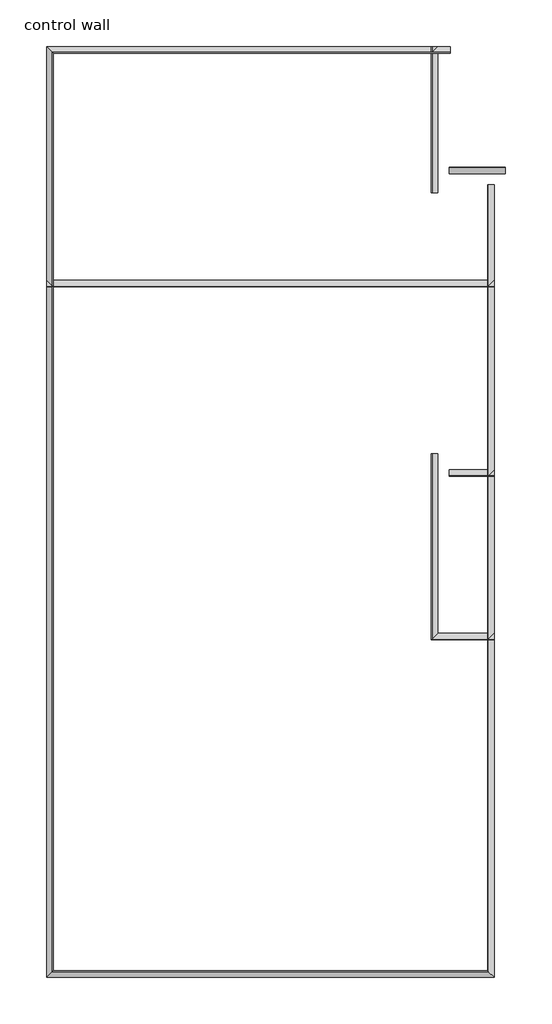
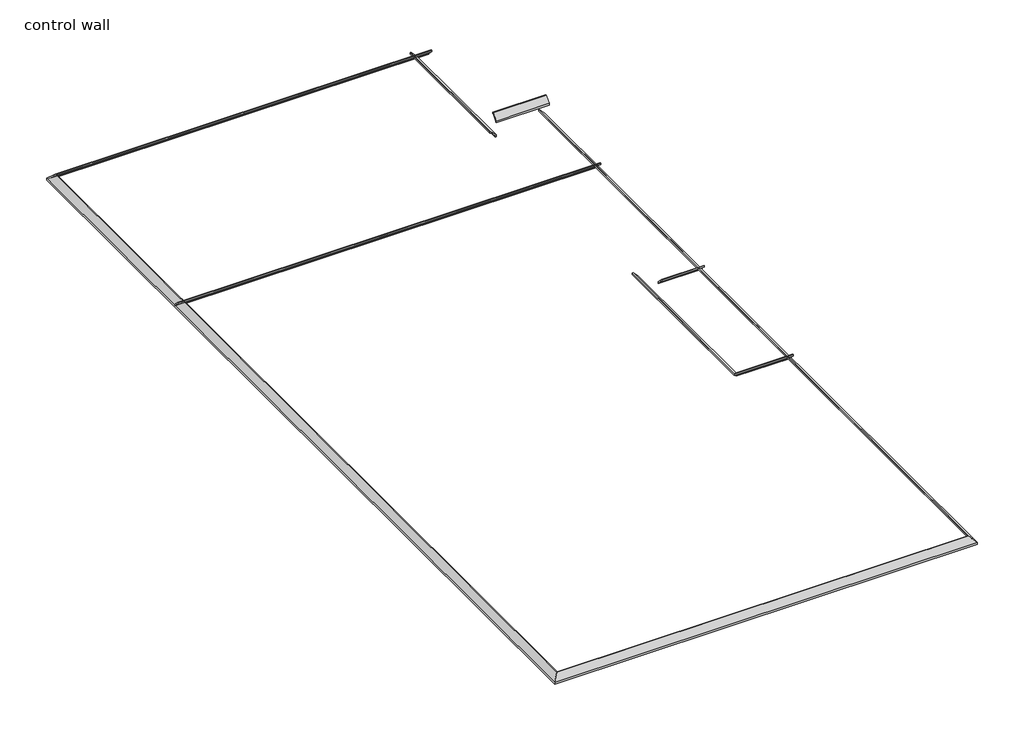
# One storey: 10 proxies.
"""IFC4 building model written with IfcOpenShell, lengths in millimetres."""

from ifc_helpers import new_model, si_unit, point, frame, frame_2d, origin, place, context, project, spatial, polyline, circle_curve, ellipse_curve, trimmed, segment, composite_curve, outline, extrude, element, save
from ifc_brep_helpers import plane_surface, cylinder_surface, revolved_surface, advanced_brep

model = new_model("IFC4")

# Units and contexts
model_context = context("Model", 3, world=origin())
ifc_project = project(units=[si_unit("LENGTHUNIT", "METRE", prefix="MILLI")], contexts=[model_context])

# Site, building, storey
site = spatial("IfcSite", under=ifc_project)
building = spatial("IfcBuilding", under=site)
storey = spatial("IfcBuildingStorey", under=building, Name="control wall", Elevation=2133.6)

# Proxies
placement = place(None, origin())
element("IfcBuildingElementProxy", 1, Name="Wall Sweeps", at=placement, inside=storey, context=model_context, shape_type="AdvancedBrep", body=[
    advanced_brep(
    [(22826.0618154, -8316.2748005, 2982.9793892), (22826.0618154, -8381.2954113, 3048.0), (22826.0618154, -8389.3981093, 3048.0), (22826.0618154, -8389.3981093, 3028.95), (22826.0618154, -8379.7748005, 3028.95), (22826.0618154, -8359.2501207, 3008.4253202), (22826.0618154, -8338.7254408, 2987.9006403), (22826.0618154, -8338.7254408, 2981.5506403), (22826.0618154, -8325.2550566, 2968.0802561), (22826.0618154, -8325.2550566, 2959.1), (22826.0618154, -8316.2748005, 2959.1), (18263.4663409, -8316.2748005, 2982.9793892), (18263.4663409, -8316.2748005, 2959.1), (18272.446597, -8325.2550566, 2959.1), (18272.446597, -8325.2550566, 2968.0802561), (18285.9169812, -8338.7254408, 2981.5506403), (18285.9169812, -8338.7254408, 2987.9006403), (18306.441661, -8359.2501207, 3008.4253202), (18326.9663409, -8379.7748005, 3028.95), (18336.5896497, -8389.3981093, 3028.95), (18336.5896497, -8389.3981093, 3048.0), (18328.4869517, -8381.2954113, 3048.0)],
    [
        (0, 1),
        (1, 2),
        (2, 3),
        (3, 4),
        (4, 5, circle_curve(frame((22826.0618154, -8379.7748005, 3008.4253202), z_axis=(-1.0, 0.0, 0.0), x_axis=(0.0, -1.0, 0.0)), 20.5246798)),
        (5, 6, circle_curve(frame((22826.0618154, -8338.7254408, 3008.4253202), z_axis=(1.0, 0.0, 0.0), x_axis=(0.0, -1.0, 0.0)), 20.5246798)),
        (6, 7),
        (7, 8, circle_curve(frame((22826.0618154, -8338.7254408, 2968.0802561), z_axis=(-1.0, 0.0, 0.0), x_axis=(0.0, -1.0, 0.0)), 13.4703842)),
        (8, 9),
        (9, 10),
        (10, 0),
        (11, 12),
        (12, 13),
        (13, 14),
        (14, 15, ellipse_curve(frame((18285.9169812, -8338.7254408, 2968.0802561), z_axis=(0.7071067811865493, 0.7071067811865458, 0.0), x_axis=(-0.7071067811865457, 0.7071067811865495, 0.0)), 19.05, 13.4703842)),
        (15, 16),
        (16, 17, ellipse_curve(frame((18285.9169812, -8338.7254408, 3008.4253202), z_axis=(-0.7071067811865493, -0.7071067811865458, 0.0), x_axis=(0.7071067811865457, -0.7071067811865495, 0.0)), 29.0262806, 20.5246798)),
        (17, 18, ellipse_curve(frame((18326.9663409, -8379.7748005, 3008.4253202), z_axis=(0.7071067811865493, 0.7071067811865458, 0.0), x_axis=(-0.7071067811865457, 0.7071067811865495, 0.0)), 29.0262806, 20.5246798)),
        (18, 19),
        (19, 20),
        (20, 21),
        (21, 11),
        (0, 11),
        (21, 1),
        (20, 2),
        (19, 3),
        (18, 4),
        (17, 5),
        (16, 6),
        (15, 7),
        (14, 8),
        (13, 9),
        (12, 10),
    ],
    [
        plane_surface(frame((22826.0618154, -8316.2748005, 2843.990364), z_axis=(1.0, 0.0, 0.0), x_axis=(0.0, -1.0, 0.0))),
        plane_surface(frame((18263.4663409, -8316.2748005, 2654.3), z_axis=(-0.7071067811865493, -0.7071067811865458, 0.0), x_axis=(0.7071067811865458, -0.7071067811865493, 0.0))),
        plane_surface(frame((22826.0618154, -8316.2748005, 2982.9793892), z_axis=(0.0, 0.707106781186547, 0.707106781186548), x_axis=(-1.0, 0.0, 0.0))),
        plane_surface(frame((22826.0618154, -8381.2954113, 3048.0), z_axis=(0.0, 0.0, 1.0), x_axis=(-1.0, 0.0, 0.0))),
        plane_surface(frame((22826.0618154, -8389.3981093, 3048.0), z_axis=(0.0, -1.0, 0.0), x_axis=(-1.0, 0.0, 0.0))),
        plane_surface(frame((22826.0618154, -8389.3981093, 3028.95), z_axis=(0.0, 0.0, -1.0), x_axis=(-1.0, 0.0, 0.0))),
        revolved_surface(polyline([(18306.441661, -8400.2994803, 3008.4253202), (22826.0618154, -8400.2994803, 3008.4253202)]), (22826.0618154, -8379.7748005, 3008.4253202), (-1.0, 0.0, 0.0)),
        cylinder_surface(frame((22826.0618154, -8338.7254408, 3008.4253202), z_axis=(1.0, 0.0, 0.0), x_axis=(0.0, -1.0, 0.0)), 20.5246798),
        plane_surface(frame((22826.0618154, -8338.7254408, 2987.9006403), z_axis=(0.0, -1.0, 0.0), x_axis=(-1.0, 0.0, 0.0))),
        revolved_surface(polyline([(18272.446597, -8352.195825, 2968.0802561), (22826.0618154, -8352.195825, 2968.0802561)]), (22826.0618154, -8338.7254408, 2968.0802561), (-1.0, 0.0, 0.0)),
        plane_surface(frame((22826.0618154, -8325.2550566, 2968.0802561), z_axis=(0.0, -1.0, 0.0), x_axis=(-1.0, 0.0, 0.0))),
        plane_surface(frame((22826.0618154, -8325.2550566, 2959.1), z_axis=(0.0, 0.0, -1.0), x_axis=(-1.0, 0.0, 0.0))),
        plane_surface(frame((22826.0618154, -8316.2748005, 2959.1), z_axis=(0.0, 1.0, 0.0), x_axis=(-1.0, 0.0, 0.0))),
    ],
    [
        (0, [[1, 2, 3, 4, 5, 6, 7, 8, 9, 10, 11]]),
        (1, [[12, 13, 14, 15, 16, 17, 18, 19, 20, 21, 22]]),
        (2, [[-1, 23, -22, 24]]),
        (3, [[-2, -24, -21, 25]]),
        (4, [[-3, -25, -20, 26]]),
        (5, [[-4, -26, -19, 27]]),
        (6, [[-5, -27, -18, 28]]),
        (7, [[-6, -28, -17, 29]]),
        (8, [[-7, -29, -16, 30]]),
        (9, [[-8, -30, -15, 31]]),
        (10, [[-9, -31, -14, 32]]),
        (11, [[-10, -32, -13, 33]]),
        (12, [[-11, -33, -12, -23]]),
    ],
),
])
element("IfcBuildingElementProxy", 2, Name="Wall Sweeps", at=placement, inside=storey, context=model_context, shape_type="AdvancedBrep", body=[
    advanced_brep(
    [(18263.4663409, -8316.2748005, 2982.9793892), (18328.4869517, -8381.2954113, 3048.0), (18336.5896497, -8389.3981093, 3048.0), (18336.5896497, -8389.3981093, 3028.95), (18326.9663409, -8379.7748005, 3028.95), (18306.441661, -8359.2501207, 3008.4253202), (18285.9169812, -8338.7254408, 2987.9006403), (18285.9169812, -8338.7254408, 2981.5506403), (18272.446597, -8325.2550566, 2968.0802561), (18272.446597, -8325.2550566, 2959.1), (18263.4663409, -8316.2748005, 2959.1), (18263.4663409, -18831.8748005, 2982.9793892), (18263.4663409, -18831.8748005, 2959.1), (18272.446597, -18822.8945444, 2959.1), (18272.446597, -18822.8945444, 2968.0802561), (18285.9169812, -18809.4241602, 2981.5506403), (18285.9169812, -18809.4241602, 2987.9006403), (18306.441661, -18788.8994804, 3008.4253202), (18326.9663409, -18768.3748005, 3028.95), (18336.5896497, -18758.7514917, 3028.95), (18336.5896497, -18758.7514917, 3048.0), (18328.4869517, -18766.8541897, 3048.0)],
    [
        (0, 1),
        (1, 2),
        (2, 3),
        (3, 4),
        (4, 5, ellipse_curve(frame((18326.9663409, -8379.7748005, 3008.4253202), z_axis=(-0.7071067811865493, -0.7071067811865458, 0.0), x_axis=(0.7071067811865458, -0.7071067811865492, 0.0)), 29.0262806, 20.5246798)),
        (5, 6, ellipse_curve(frame((18285.9169812, -8338.7254408, 3008.4253202), z_axis=(0.7071067811865493, 0.7071067811865458, 0.0), x_axis=(-0.7071067811865458, 0.7071067811865492, 0.0)), 29.0262806, 20.5246798)),
        (6, 7),
        (7, 8, ellipse_curve(frame((18285.9169812, -8338.7254408, 2968.0802561), z_axis=(-0.7071067811865493, -0.7071067811865458, 0.0), x_axis=(0.7071067811865458, -0.7071067811865492, 0.0)), 19.05, 13.4703842)),
        (8, 9),
        (9, 10),
        (10, 0),
        (11, 12),
        (12, 13),
        (13, 14),
        (14, 15, ellipse_curve(frame((18285.9169812, -18809.4241602, 2968.0802561), z_axis=(-0.7071067811865476, 0.7071067811865476, 0.0), x_axis=(-0.7071067811865477, -0.7071067811865474, 0.0)), 19.05, 13.4703842)),
        (15, 16),
        (16, 17, ellipse_curve(frame((18285.9169812, -18809.4241602, 3008.4253202), z_axis=(0.7071067811865476, -0.7071067811865476, 0.0), x_axis=(0.7071067811865477, 0.7071067811865474, 0.0)), 29.0262806, 20.5246798)),
        (17, 18, ellipse_curve(frame((18326.9663409, -18768.3748005, 3008.4253202), z_axis=(-0.7071067811865476, 0.7071067811865476, 0.0), x_axis=(-0.7071067811865477, -0.7071067811865474, 0.0)), 29.0262806, 20.5246798)),
        (18, 19),
        (19, 20),
        (20, 21),
        (21, 11),
        (0, 11),
        (21, 1),
        (20, 2),
        (19, 3),
        (18, 4),
        (17, 5),
        (16, 6),
        (15, 7),
        (14, 8),
        (13, 9),
        (12, 10),
    ],
    [
        plane_surface(frame((18263.4663409, -8316.2748005, 2654.3), z_axis=(0.7071067811865493, 0.7071067811865458, 0.0), x_axis=(0.7071067811865458, -0.7071067811865493, 0.0))),
        plane_surface(frame((18263.4663409, -18831.8748005, 2654.3), z_axis=(0.7071067811865476, -0.7071067811865476, 0.0), x_axis=(0.7071067811865476, 0.7071067811865476, 0.0))),
        plane_surface(frame((18263.4663409, -8316.2748005, 2982.9793892), z_axis=(-0.707106781186547, 0.0, 0.707106781186548), x_axis=(0.0, -1.0, 0.0))),
        plane_surface(frame((18328.4869517, -8381.2954113, 3048.0), z_axis=(0.0, 0.0, 1.0), x_axis=(0.0, -1.0, 0.0))),
        plane_surface(frame((18336.5896497, -8389.3981093, 3048.0), z_axis=(1.0, 0.0, 0.0), x_axis=(0.0, -1.0, 0.0))),
        plane_surface(frame((18336.5896497, -8389.3981093, 3028.95), z_axis=(0.0, 0.0, -1.0), x_axis=(0.0, -1.0, 0.0))),
        revolved_surface(polyline([(18347.4910207, -18788.8994804, 3008.4253202), (18347.4910207, -8359.250120655115, 3008.4253202)]), (18326.9663409, -8316.2748005, 3008.4253202), (0.0, -1.0, 0.0)),
        cylinder_surface(frame((18285.9169812, -8316.2748005, 3008.4253202), z_axis=(0.0, 1.0, 0.0), x_axis=(1.0, 0.0, 0.0)), 20.5246798),
        plane_surface(frame((18285.9169812, -8338.7254408, 2987.9006403), z_axis=(1.0, 0.0, 0.0), x_axis=(0.0, -1.0, 0.0))),
        revolved_surface(polyline([(18299.3873654, -18822.8945444, 2968.0802561), (18299.3873654, -8325.2550566, 2968.0802561)]), (18285.9169812, -8316.2748005, 2968.0802561), (0.0, -1.0, 0.0)),
        plane_surface(frame((18272.446597, -8325.2550566, 2968.0802561), z_axis=(1.0, 0.0, 0.0), x_axis=(0.0, -1.0, 0.0))),
        plane_surface(frame((18272.446597, -8325.2550566, 2959.1), z_axis=(0.0, 0.0, -1.0), x_axis=(0.0, -1.0, 0.0))),
        plane_surface(frame((18263.4663409, -8316.2748005, 2959.1), z_axis=(-1.0, 0.0, 0.0), x_axis=(0.0, -1.0, 0.0))),
    ],
    [
        (0, [[1, 2, 3, 4, 5, 6, 7, 8, 9, 10, 11]]),
        (1, [[12, 13, 14, 15, 16, 17, 18, 19, 20, 21, 22]]),
        (2, [[-1, 23, -22, 24]]),
        (3, [[-2, -24, -21, 25]]),
        (4, [[-3, -25, -20, 26]]),
        (5, [[-4, -26, -19, 27]]),
        (6, [[-5, -27, -18, 28]]),
        (7, [[-6, -28, -17, 29]]),
        (8, [[-7, -29, -16, 30]]),
        (9, [[-8, -30, -15, 31]]),
        (10, [[-9, -31, -14, 32]]),
        (11, [[-10, -32, -13, 33]]),
        (12, [[-11, -33, -12, -23]]),
    ],
),
])
element("IfcBuildingElementProxy", 3, Name="Wall Sweeps", at=placement, inside=storey, context=model_context, shape_type="AdvancedBrep", body=[
    advanced_brep(
    [(18263.4663409, -18831.8748005, 2982.9793892), (18328.4869517, -18766.8541897, 3048.0), (18336.5896497, -18758.7514917, 3048.0), (18336.5896497, -18758.7514917, 3028.95), (18326.9663409, -18768.3748005, 3028.95), (18306.441661, -18788.8994804, 3008.4253202), (18285.9169812, -18809.4241602, 2987.9006403), (18285.9169812, -18809.4241602, 2981.5506403), (18272.446597, -18822.8945444, 2968.0802561), (18272.446597, -18822.8945444, 2959.1), (18263.4663409, -18831.8748005, 2959.1), (23318.1852651, -18831.8748005, 2982.9793892), (23318.1852651, -18831.8748005, 2959.1), (23309.205009, -18822.8945444, 2959.1), (23309.205009, -18822.8945444, 2968.0802561), (23295.7346248, -18809.4241602, 2981.5506403), (23295.7346248, -18809.4241602, 2987.9006403), (23275.209945, -18788.8994804, 3008.4253202), (23254.6852651, -18768.3748005, 3028.95), (23245.0619563, -18758.7514917, 3028.95), (23245.0619563, -18758.7514917, 3048.0), (23253.1646543, -18766.8541897, 3048.0)],
    [
        (0, 1),
        (1, 2),
        (2, 3),
        (3, 4),
        (4, 5, ellipse_curve(frame((18326.9663409, -18768.3748005, 3008.4253202), z_axis=(0.7071067811865476, -0.7071067811865476, 0.0), x_axis=(0.7071067811865475, 0.7071067811865475, 0.0)), 29.0262806, 20.5246798)),
        (5, 6, ellipse_curve(frame((18285.9169812, -18809.4241602, 3008.4253202), z_axis=(-0.7071067811865476, 0.7071067811865476, 0.0), x_axis=(-0.7071067811865475, -0.7071067811865475, 0.0)), 29.0262806, 20.5246798)),
        (6, 7),
        (7, 8, ellipse_curve(frame((18285.9169812, -18809.4241602, 2968.0802561), z_axis=(0.7071067811865476, -0.7071067811865476, 0.0), x_axis=(0.7071067811865475, 0.7071067811865475, 0.0)), 19.05, 13.4703842)),
        (8, 9),
        (9, 10),
        (10, 0),
        (11, 12),
        (12, 13),
        (13, 14),
        (14, 15, ellipse_curve(frame((23295.7346248, -18809.4241602, 2968.0802561), z_axis=(-0.7071067811865511, -0.707106781186544, 0.0), x_axis=(0.7071067811865439, -0.7071067811865511, 0.0)), 19.05, 13.4703842)),
        (15, 16),
        (16, 17, ellipse_curve(frame((23295.7346248, -18809.4241602, 3008.4253202), z_axis=(0.7071067811865511, 0.707106781186544, 0.0), x_axis=(-0.7071067811865439, 0.7071067811865511, 0.0)), 29.0262806, 20.5246798)),
        (17, 18, ellipse_curve(frame((23254.6852651, -18768.3748005, 3008.4253202), z_axis=(-0.7071067811865511, -0.707106781186544, 0.0), x_axis=(0.7071067811865439, -0.7071067811865511, 0.0)), 29.0262806, 20.5246798)),
        (18, 19),
        (19, 20),
        (20, 21),
        (21, 11),
        (0, 11),
        (21, 1),
        (20, 2),
        (19, 3),
        (18, 4),
        (17, 5),
        (16, 6),
        (15, 7),
        (14, 8),
        (13, 9),
        (12, 10),
    ],
    [
        plane_surface(frame((18263.4663409, -18831.8748005, 2654.3), z_axis=(-0.7071067811865476, 0.7071067811865476, 0.0), x_axis=(0.7071067811865476, 0.7071067811865476, 0.0))),
        plane_surface(frame((23318.1852651, -18831.8748005, 2654.3), z_axis=(0.7071067811865511, 0.707106781186544, 0.0), x_axis=(-0.707106781186544, 0.7071067811865511, 0.0))),
        plane_surface(frame((18263.4663409, -18831.8748005, 2982.9793892), z_axis=(0.0, -0.707106781186547, 0.707106781186548), x_axis=(1.0, 0.0, 0.0))),
        plane_surface(frame((18328.4869517, -18766.8541897, 3048.0), z_axis=(0.0, 0.0, 1.0), x_axis=(1.0, 0.0, 0.0))),
        plane_surface(frame((18336.5896497, -18758.7514917, 3048.0), z_axis=(0.0, 1.0, 0.0), x_axis=(1.0, 0.0, 0.0))),
        plane_surface(frame((18336.5896497, -18758.7514917, 3028.95), z_axis=(0.0, 0.0, -1.0), x_axis=(1.0, 0.0, 0.0))),
        revolved_surface(polyline([(23275.209945, -18747.8501207, 3008.4253202), (18306.441661, -18747.8501207, 3008.4253202)]), (18263.4663409, -18768.3748005, 3008.4253202), (1.0, 0.0, 0.0)),
        cylinder_surface(frame((18263.4663409, -18809.4241602, 3008.4253202), z_axis=(-1.0, 0.0, 0.0), x_axis=(0.0, 1.0, 0.0)), 20.5246798),
        plane_surface(frame((18285.9169812, -18809.4241602, 2987.9006403), z_axis=(0.0, 1.0, 0.0), x_axis=(1.0, 0.0, 0.0))),
        revolved_surface(polyline([(23309.205009, -18795.953776, 2968.0802561), (18272.446597, -18795.953776, 2968.0802561)]), (18263.4663409, -18809.4241602, 2968.0802561), (1.0, 0.0, 0.0)),
        plane_surface(frame((18272.446597, -18822.8945444, 2968.0802561), z_axis=(0.0, 1.0, 0.0), x_axis=(1.0, 0.0, 0.0))),
        plane_surface(frame((18272.446597, -18822.8945444, 2959.1), z_axis=(0.0, 0.0, -1.0), x_axis=(1.0, 0.0, 0.0))),
        plane_surface(frame((18263.4663409, -18831.8748005, 2959.1), z_axis=(0.0, -1.0, 0.0), x_axis=(1.0, 0.0, 0.0))),
    ],
    [
        (0, [[1, 2, 3, 4, 5, 6, 7, 8, 9, 10, 11]]),
        (1, [[12, 13, 14, 15, 16, 17, 18, 19, 20, 21, 22]]),
        (2, [[-1, 23, -22, 24]]),
        (3, [[-2, -24, -21, 25]]),
        (4, [[-3, -25, -20, 26]]),
        (5, [[-4, -26, -19, 27]]),
        (6, [[-5, -27, -18, 28]]),
        (7, [[-6, -28, -17, 29]]),
        (8, [[-7, -29, -16, 30]]),
        (9, [[-8, -30, -15, 31]]),
        (10, [[-9, -31, -14, 32]]),
        (11, [[-10, -32, -13, 33]]),
        (12, [[-11, -33, -12, -23]]),
    ],
),
])
element("IfcBuildingElementProxy", 4, Name="Wall Sweeps", at=placement, inside=storey, context=model_context, shape_type="AdvancedBrep", body=[
    advanced_brep(
    [(23318.1852651, -18831.8748005, 2982.9793892), (23253.1646543, -18766.8541897, 3048.0), (23245.0619563, -18758.7514917, 3048.0), (23245.0619563, -18758.7514917, 3028.95), (23254.6852651, -18768.3748005, 3028.95), (23275.209945, -18788.8994804, 3008.4253202), (23295.7346248, -18809.4241602, 2987.9006403), (23295.7346248, -18809.4241602, 2981.5506403), (23309.205009, -18822.8945444, 2968.0802561), (23309.205009, -18822.8945444, 2959.1), (23318.1852651, -18831.8748005, 2959.1), (23318.1852651, -9878.3748005, 2982.9793892), (23318.1852651, -9878.3748005, 2959.1), (23309.205009, -9878.3748005, 2959.1), (23309.205009, -9878.3748005, 2968.0802561), (23295.7346248, -9878.3748005, 2981.5506403), (23295.7346248, -9878.3748005, 2987.9006403), (23275.209945, -9878.3748005, 3008.4253202), (23254.6852651, -9878.3748005, 3028.95), (23245.0619563, -9878.3748005, 3028.95), (23245.0619563, -9878.3748005, 3048.0), (23253.1646543, -9878.3748005, 3048.0)],
    [
        (0, 1),
        (1, 2),
        (2, 3),
        (3, 4),
        (4, 5, ellipse_curve(frame((23254.6852651, -18768.3748005, 3008.4253202), z_axis=(0.7071067811865511, 0.707106781186544, 0.0), x_axis=(-0.707106781186544, 0.707106781186551, 0.0)), 29.0262806, 20.5246798)),
        (5, 6, ellipse_curve(frame((23295.7346248, -18809.4241602, 3008.4253202), z_axis=(-0.7071067811865511, -0.707106781186544, 0.0), x_axis=(0.707106781186544, -0.707106781186551, 0.0)), 29.0262806, 20.5246798)),
        (6, 7),
        (7, 8, ellipse_curve(frame((23295.7346248, -18809.4241602, 2968.0802561), z_axis=(0.7071067811865511, 0.707106781186544, 0.0), x_axis=(-0.707106781186544, 0.707106781186551, 0.0)), 19.05, 13.4703842)),
        (8, 9),
        (9, 10),
        (10, 0),
        (11, 12),
        (12, 13),
        (13, 14),
        (14, 15, circle_curve(frame((23295.7346248, -9878.3748005, 2968.0802561), z_axis=(0.0, -1.0, 0.0), x_axis=(-1.0, 0.0, 0.0)), 13.4703842)),
        (15, 16),
        (16, 17, circle_curve(frame((23295.7346248, -9878.3748005, 3008.4253202), z_axis=(0.0, 1.0, 0.0), x_axis=(-1.0, 0.0, 0.0)), 20.5246798)),
        (17, 18, circle_curve(frame((23254.6852651, -9878.3748005, 3008.4253202), z_axis=(0.0, -1.0, 0.0), x_axis=(-1.0, 0.0, 0.0)), 20.5246798)),
        (18, 19),
        (19, 20),
        (20, 21),
        (21, 11),
        (0, 11),
        (21, 1),
        (20, 2),
        (19, 3),
        (18, 4),
        (17, 5),
        (16, 6),
        (15, 7),
        (14, 8),
        (13, 9),
        (12, 10),
    ],
    [
        plane_surface(frame((23318.1852651, -18831.8748005, 2654.3), z_axis=(-0.7071067811865511, -0.707106781186544, 0.0), x_axis=(-0.707106781186544, 0.7071067811865511, 0.0))),
        plane_surface(frame((23203.0756292, -9878.3748005, 2959.1), z_axis=(0.0, 1.0, 0.0), x_axis=(0.0, 0.0, 1.0))),
        plane_surface(frame((23318.1852651, -18831.8748005, 2982.9793892), z_axis=(0.707106781186547, 0.0, 0.707106781186548), x_axis=(0.0, 1.0, 0.0))),
        plane_surface(frame((23253.1646543, -18766.8541897, 3048.0), z_axis=(0.0, 0.0, 1.0), x_axis=(0.0, 1.0, 0.0))),
        plane_surface(frame((23245.0619563, -18758.7514917, 3048.0), z_axis=(-1.0, 0.0, 0.0), x_axis=(0.0, 1.0, 0.0))),
        plane_surface(frame((23245.0619563, -18758.7514917, 3028.95), z_axis=(0.0, 0.0, -1.0), x_axis=(0.0, 1.0, 0.0))),
        revolved_surface(polyline([(23234.1605853, -9878.3748005, 3008.4253202), (23234.1605853, -18788.8994804, 3008.4253202)]), (23254.6852651, -18831.8748005, 3008.4253202), (0.0, 1.0, 0.0)),
        cylinder_surface(frame((23295.7346248, -18831.8748005, 3008.4253202), z_axis=(0.0, -1.0, 0.0), x_axis=(-1.0, 0.0, 0.0)), 20.5246798),
        plane_surface(frame((23295.7346248, -18809.4241602, 2987.9006403), z_axis=(-1.0, 0.0, 0.0), x_axis=(0.0, 1.0, 0.0))),
        revolved_surface(polyline([(23282.264240599998, -9878.3748005, 2968.0802561), (23282.264240599998, -18822.8945444, 2968.0802561)]), (23295.7346248, -18831.8748005, 2968.0802561), (0.0, 1.0, 0.0)),
        plane_surface(frame((23309.205009, -18822.8945444, 2968.0802561), z_axis=(-1.0, 0.0, 0.0), x_axis=(0.0, 1.0, 0.0))),
        plane_surface(frame((23309.205009, -18822.8945444, 2959.1), z_axis=(0.0, 0.0, -1.0), x_axis=(0.0, 1.0, 0.0))),
        plane_surface(frame((23318.1852651, -18831.8748005, 2959.1), z_axis=(1.0, 0.0, 0.0), x_axis=(0.0, 1.0, 0.0))),
    ],
    [
        (0, [[1, 2, 3, 4, 5, 6, 7, 8, 9, 10, 11]]),
        (1, [[12, 13, 14, 15, 16, 17, 18, 19, 20, 21, 22]]),
        (2, [[-1, 23, -22, 24]]),
        (3, [[-2, -24, -21, 25]]),
        (4, [[-3, -25, -20, 26]]),
        (5, [[-4, -26, -19, 27]]),
        (6, [[-5, -27, -18, 28]]),
        (7, [[-6, -28, -17, 29]]),
        (8, [[-7, -29, -16, 30]]),
        (9, [[-8, -30, -15, 31]]),
        (10, [[-9, -31, -14, 32]]),
        (11, [[-10, -32, -13, 33]]),
        (12, [[-11, -33, -12, -23]]),
    ],
),
])
element("IfcBuildingElementProxy", 5, Name="Wall Sweeps", at=placement, inside=storey, context=model_context, shape_type="AdvancedBrep", body=[
    advanced_brep(
    [(23318.1852651, -14946.3623554, 2982.9793892), (23318.1852651, -15011.3829663, 3048.0), (23318.1852651, -15019.4856643, 3048.0), (23318.1852651, -15019.4856643, 3028.95), (23318.1852651, -15009.8623554, 3028.95), (23318.1852651, -14989.3376756, 3008.4253202), (23318.1852651, -14968.8129958, 2987.9006403), (23318.1852651, -14968.8129958, 2981.5506403), (23318.1852651, -14955.3426116, 2968.0802561), (23318.1852651, -14955.3426116, 2959.1), (23318.1852651, -14946.3623554, 2959.1), (22683.1868154, -14946.3623554, 2982.9793892), (22683.1868154, -14946.3623554, 2959.1), (22674.2065593, -14955.3426116, 2959.1), (22674.2065593, -14955.3426116, 2968.0802561), (22660.7361751, -14968.8129958, 2981.5506403), (22660.7361751, -14968.8129958, 2987.9006403), (22640.2114953, -14989.3376756, 3008.4253202), (22619.6868154, -15009.8623554, 3028.95), (22610.0635066, -15019.4856643, 3028.95), (22610.0635066, -15019.4856643, 3048.0), (22618.1662046, -15011.3829663, 3048.0)],
    [
        (0, 1),
        (1, 2),
        (2, 3),
        (3, 4),
        (4, 5, circle_curve(frame((23318.1852651, -15009.8623554, 3008.4253202), z_axis=(-1.0, 0.0, 0.0), x_axis=(0.0, -1.0, 0.0)), 20.5246798)),
        (5, 6, circle_curve(frame((23318.1852651, -14968.8129958, 3008.4253202), z_axis=(1.0, 0.0, 0.0), x_axis=(0.0, -1.0, 0.0)), 20.5246798)),
        (6, 7),
        (7, 8, circle_curve(frame((23318.1852651, -14968.8129958, 2968.0802561), z_axis=(-1.0, 0.0, 0.0), x_axis=(0.0, -1.0, 0.0)), 13.4703842)),
        (8, 9),
        (9, 10),
        (10, 0),
        (11, 12),
        (12, 13),
        (13, 14),
        (14, 15, ellipse_curve(frame((22660.7361751, -14968.8129958, 2968.0802561), z_axis=(0.707106781186544, -0.7071067811865511, 0.0), x_axis=(-0.707106781186551, -0.7071067811865441, 0.0)), 19.05, 13.4703842)),
        (15, 16),
        (16, 17, ellipse_curve(frame((22660.7361751, -14968.8129958, 3008.4253202), z_axis=(-0.707106781186544, 0.7071067811865511, 0.0), x_axis=(0.707106781186551, 0.7071067811865441, 0.0)), 29.0262806, 20.5246798)),
        (17, 18, ellipse_curve(frame((22619.6868154, -15009.8623554, 3008.4253202), z_axis=(0.707106781186544, -0.7071067811865511, 0.0), x_axis=(-0.707106781186551, -0.7071067811865441, 0.0)), 29.0262806, 20.5246798)),
        (18, 19),
        (19, 20),
        (20, 21),
        (21, 11),
        (0, 11),
        (21, 1),
        (20, 2),
        (19, 3),
        (18, 4),
        (17, 5),
        (16, 6),
        (15, 7),
        (14, 8),
        (13, 9),
        (12, 10),
    ],
    [
        plane_surface(frame((23318.1852651, -14946.3623554, 2843.990364), z_axis=(1.0, 0.0, 0.0), x_axis=(0.0, -1.0, 0.0))),
        plane_surface(frame((22683.1868154, -14946.3623554, 3263.9), z_axis=(-0.707106781186544, 0.7071067811865511, 0.0), x_axis=(0.7071067811865511, 0.707106781186544, 0.0))),
        plane_surface(frame((23318.1852651, -14946.3623554, 2982.9793892), z_axis=(0.0, 0.707106781186547, 0.707106781186548), x_axis=(-1.0, 0.0, 0.0))),
        plane_surface(frame((23318.1852651, -15011.3829663, 3048.0), z_axis=(0.0, 0.0, 1.0), x_axis=(-1.0, 0.0, 0.0))),
        plane_surface(frame((23318.1852651, -15019.4856643, 3048.0), z_axis=(0.0, -1.0, 0.0), x_axis=(-1.0, 0.0, 0.0))),
        plane_surface(frame((23318.1852651, -15019.4856643, 3028.95), z_axis=(0.0, 0.0, -1.0), x_axis=(-1.0, 0.0, 0.0))),
        revolved_surface(polyline([(22599.162135555118, -15030.387035200001, 3008.4253202), (23318.1852651, -15030.387035200001, 3008.4253202)]), (23318.1852651, -15009.8623554, 3008.4253202), (-1.0, 0.0, 0.0)),
        cylinder_surface(frame((23318.1852651, -14968.8129958, 3008.4253202), z_axis=(1.0, 0.0, 0.0), x_axis=(0.0, -1.0, 0.0)), 20.5246798),
        plane_surface(frame((23318.1852651, -14968.8129958, 2987.9006403), z_axis=(0.0, -1.0, 0.0), x_axis=(-1.0, 0.0, 0.0))),
        revolved_surface(polyline([(22647.265790918394, -14982.28338, 2968.0802561), (23318.1852651, -14982.28338, 2968.0802561)]), (23318.1852651, -14968.8129958, 2968.0802561), (-1.0, 0.0, 0.0)),
        plane_surface(frame((23318.1852651, -14955.3426116, 2968.0802561), z_axis=(0.0, -1.0, 0.0), x_axis=(-1.0, 0.0, 0.0))),
        plane_surface(frame((23318.1852651, -14955.3426116, 2959.1), z_axis=(0.0, 0.0, -1.0), x_axis=(-1.0, 0.0, 0.0))),
        plane_surface(frame((23318.1852651, -14946.3623554, 2959.1), z_axis=(0.0, 1.0, 0.0), x_axis=(-1.0, 0.0, 0.0))),
    ],
    [
        (0, [[1, 2, 3, 4, 5, 6, 7, 8, 9, 10, 11]]),
        (1, [[12, 13, 14, 15, 16, 17, 18, 19, 20, 21, 22]]),
        (2, [[-1, 23, -22, 24]]),
        (3, [[-2, -24, -21, 25]]),
        (4, [[-3, -25, -20, 26]]),
        (5, [[-4, -26, -19, 27]]),
        (6, [[-5, -27, -18, 28]]),
        (7, [[-6, -28, -17, 29]]),
        (8, [[-7, -29, -16, 30]]),
        (9, [[-8, -30, -15, 31]]),
        (10, [[-9, -31, -14, 32]]),
        (11, [[-10, -32, -13, 33]]),
        (12, [[-11, -33, -12, -23]]),
    ],
),
])
element("IfcBuildingElementProxy", 6, Name="Wall Sweeps", at=placement, inside=storey, context=model_context, shape_type="AdvancedBrep", body=[
    advanced_brep(
    [(22683.1868154, -14946.3623554, 2982.9793892), (22618.1662046, -15011.3829663, 3048.0), (22610.0635066, -15019.4856643, 3048.0), (22610.0635066, -15019.4856643, 3028.95), (22619.6868154, -15009.8623554, 3028.95), (22640.2114953, -14989.3376756, 3008.4253202), (22660.7361751, -14968.8129958, 2987.9006403), (22660.7361751, -14968.8129958, 2981.5506403), (22674.2065593, -14955.3426116, 2968.0802561), (22674.2065593, -14955.3426116, 2959.1), (22683.1868154, -14946.3623554, 2959.1), (22683.1868154, -12914.3623554, 2982.9793892), (22683.1868154, -12914.3623554, 2959.1), (22674.2065593, -12914.3623554, 2959.1), (22674.2065593, -12914.3623554, 2968.0802561), (22660.7361751, -12914.3623554, 2981.5506403), (22660.7361751, -12914.3623554, 2987.9006403), (22640.2114953, -12914.3623554, 3008.4253202), (22619.6868154, -12914.3623554, 3028.95), (22610.0635066, -12914.3623554, 3028.95), (22610.0635066, -12914.3623554, 3048.0), (22618.1662046, -12914.3623554, 3048.0)],
    [
        (0, 1),
        (1, 2),
        (2, 3),
        (3, 4),
        (4, 5, ellipse_curve(frame((22619.6868154, -15009.8623554, 3008.4253202), z_axis=(-0.707106781186544, 0.7071067811865511, 0.0), x_axis=(0.7071067811865512, 0.7071067811865438, 0.0)), 29.0262806, 20.5246798)),
        (5, 6, ellipse_curve(frame((22660.7361751, -14968.8129958, 3008.4253202), z_axis=(0.707106781186544, -0.7071067811865511, 0.0), x_axis=(-0.7071067811865512, -0.7071067811865438, 0.0)), 29.0262806, 20.5246798)),
        (6, 7),
        (7, 8, ellipse_curve(frame((22660.7361751, -14968.8129958, 2968.0802561), z_axis=(-0.707106781186544, 0.7071067811865511, 0.0), x_axis=(0.7071067811865512, 0.7071067811865438, 0.0)), 19.05, 13.4703842)),
        (8, 9),
        (9, 10),
        (10, 0),
        (11, 12),
        (12, 13),
        (13, 14),
        (14, 15, circle_curve(frame((22660.7361751, -12914.3623554, 2968.0802561), z_axis=(0.0, -1.0, 0.0), x_axis=(-1.0, 0.0, 0.0)), 13.4703842)),
        (15, 16),
        (16, 17, circle_curve(frame((22660.7361751, -12914.3623554, 3008.4253202), z_axis=(0.0, 1.0, 0.0), x_axis=(-1.0, 0.0, 0.0)), 20.5246798)),
        (17, 18, circle_curve(frame((22619.6868154, -12914.3623554, 3008.4253202), z_axis=(0.0, -1.0, 0.0), x_axis=(-1.0, 0.0, 0.0)), 20.5246798)),
        (18, 19),
        (19, 20),
        (20, 21),
        (21, 11),
        (0, 11),
        (21, 1),
        (20, 2),
        (19, 3),
        (18, 4),
        (17, 5),
        (16, 6),
        (15, 7),
        (14, 8),
        (13, 9),
        (12, 10),
    ],
    [
        plane_surface(frame((22683.1868154, -14946.3623554, 3263.9), z_axis=(0.707106781186544, -0.7071067811865511, 0.0), x_axis=(0.7071067811865511, 0.707106781186544, 0.0))),
        plane_surface(frame((22568.0771795, -12914.3623554, 2959.1), z_axis=(0.0, 1.0, 0.0), x_axis=(0.0, 0.0, 1.0))),
        plane_surface(frame((22683.1868154, -14946.3623554, 2982.9793892), z_axis=(0.707106781186547, 0.0, 0.707106781186548), x_axis=(0.0, 1.0, 0.0))),
        plane_surface(frame((22618.1662046, -15011.3829663, 3048.0), z_axis=(0.0, 0.0, 1.0), x_axis=(0.0, 1.0, 0.0))),
        plane_surface(frame((22610.0635066, -15019.4856643, 3048.0), z_axis=(-1.0, 0.0, 0.0), x_axis=(0.0, 1.0, 0.0))),
        plane_surface(frame((22610.0635066, -15019.4856643, 3028.95), z_axis=(0.0, 0.0, -1.0), x_axis=(0.0, 1.0, 0.0))),
        revolved_surface(polyline([(22599.1621356, -12914.3623554, 3008.4253202), (22599.1621356, -15030.387035244885, 3008.4253202)]), (22619.6868154, -14946.3623554, 3008.4253202), (0.0, 1.0, 0.0)),
        cylinder_surface(frame((22660.7361751, -14946.3623554, 3008.4253202), z_axis=(0.0, -1.0, 0.0), x_axis=(-1.0, 0.0, 0.0)), 20.5246798),
        plane_surface(frame((22660.7361751, -14968.8129958, 2987.9006403), z_axis=(-1.0, 0.0, 0.0), x_axis=(0.0, 1.0, 0.0))),
        revolved_surface(polyline([(22647.265790899997, -12914.3623554, 2968.0802561), (22647.265790899997, -14982.283379981605, 2968.0802561)]), (22660.7361751, -14946.3623554, 2968.0802561), (0.0, 1.0, 0.0)),
        plane_surface(frame((22674.2065593, -14955.3426116, 2968.0802561), z_axis=(-1.0, 0.0, 0.0), x_axis=(0.0, 1.0, 0.0))),
        plane_surface(frame((22674.2065593, -14955.3426116, 2959.1), z_axis=(0.0, 0.0, -1.0), x_axis=(0.0, 1.0, 0.0))),
        plane_surface(frame((22683.1868154, -14946.3623554, 2959.1), z_axis=(1.0, 0.0, 0.0), x_axis=(0.0, 1.0, 0.0))),
    ],
    [
        (0, [[1, 2, 3, 4, 5, 6, 7, 8, 9, 10, 11]]),
        (1, [[12, 13, 14, 15, 16, 17, 18, 19, 20, 21, 22]]),
        (2, [[-1, 23, -22, 24]]),
        (3, [[-2, -24, -21, 25]]),
        (4, [[-3, -25, -20, 26]]),
        (5, [[-4, -26, -19, 27]]),
        (6, [[-5, -27, -18, 28]]),
        (7, [[-6, -28, -17, 29]]),
        (8, [[-7, -29, -16, 30]]),
        (9, [[-8, -30, -15, 31]]),
        (10, [[-9, -31, -14, 32]]),
        (11, [[-10, -32, -13, 33]]),
        (12, [[-11, -33, -12, -23]]),
    ],
),
])
element("IfcBuildingElementProxy", 7, Name="Wall Sweeps", at=placement, inside=storey, context=model_context, shape_type="SweptSolid", body=[
    extrude(outline(composite_curve([segment(polyline([(-10957.8744129, 2982.9793892), (-10957.8744129, 2959.1), (-10966.8546691, 2959.1), (-10966.8546691, 2968.0802561)]), True, "CONTINUOUS"), segment(trimmed(circle_curve(frame_2d((-10980.3250532, 2968.0802561)), 13.4703842), [point((-10966.8546691, 2968.0802561))], [point((-10980.3250532, 2981.5506403))], True, "CARTESIAN"), True, "CONTINUOUS"), segment(polyline([(-10980.3250532, 2981.5506403), (-10980.3250532, 2987.9006403)]), True, "CONTINUOUS"), segment(trimmed(circle_curve(frame_2d((-10980.3250532, 3008.4253202)), 20.5246798), [point((-10980.3250532, 2987.9006403))], [point((-11000.8497331, 3008.4253202))], False, "CARTESIAN"), True, "CONTINUOUS"), segment(trimmed(circle_curve(frame_2d((-11021.3744129, 3008.4253202)), 20.5246798), [point((-11000.8497331, 3008.4253202))], [point((-11021.3744129, 3028.95))], True, "CARTESIAN"), True, "CONTINUOUS"), segment(polyline([(-11021.3744129, 3028.95), (-11030.9977217, 3028.95), (-11030.9977217, 3048.0), (-11022.8950238, 3048.0), (-10957.8744129, 2982.9793892)]), True, "CONTINUOUS")], self_intersect=False)), frame((18263.4663409, 0.0, 0.0), z_axis=(1.0, 0.0, 0.0), x_axis=(0.0, 1.0, 0.0)), (0.0, 0.0, 1.0), 5054.7189242),
])
element("IfcBuildingElementProxy", 8, Name="Wall Sweeps", at=placement, inside=storey, context=model_context, shape_type="SweptSolid", body=[
    extrude(outline(composite_curve([segment(polyline([(-9751.3748005, 2982.9793892), (-9686.3541897, 3048.0), (-9678.2514917, 3048.0), (-9678.2514917, 3028.95), (-9687.8748005, 3028.95)]), True, "CONTINUOUS"), segment(trimmed(circle_curve(frame_2d((-9687.8748005, 3008.4253202)), 20.5246798), [point((-9687.8748005, 3028.95))], [point((-9708.3994804, 3008.4253202))], True, "CARTESIAN"), True, "CONTINUOUS"), segment(trimmed(circle_curve(frame_2d((-9728.9241602, 3008.4253202)), 20.5246798), [point((-9708.3994804, 3008.4253202))], [point((-9728.9241602, 2987.9006403))], False, "CARTESIAN"), True, "CONTINUOUS"), segment(polyline([(-9728.9241602, 2987.9006403), (-9728.9241602, 2981.5506403)]), True, "CONTINUOUS"), segment(trimmed(circle_curve(frame_2d((-9728.9241602, 2968.0802561)), 13.4703842), [point((-9728.9241602, 2981.5506403))], [point((-9742.3945444, 2968.0802561))], True, "CARTESIAN"), True, "CONTINUOUS"), segment(polyline([(-9742.3945444, 2968.0802561), (-9742.3945444, 2959.1), (-9751.3748005, 2959.1), (-9751.3748005, 2982.9793892)]), True, "CONTINUOUS")], self_intersect=False)), frame((22810.1868154, 0.0, 0.0), z_axis=(1.0, 0.0, 0.0), x_axis=(0.0, 1.0, 0.0)), (0.0, 0.0, 1.0), 634.9984497),
])
element("IfcBuildingElementProxy", 9, Name="Wall Sweeps", at=placement, inside=storey, context=model_context, shape_type="SweptSolid", body=[
    extrude(outline(composite_curve([segment(polyline([(-13099.1908591, 2982.9793892), (-13099.1908591, 2959.1), (-13108.1711152, 2959.1), (-13108.1711152, 2968.0802561)]), True, "CONTINUOUS"), segment(trimmed(circle_curve(frame_2d((-13121.6414994, 2968.0802561)), 13.4703842), [point((-13108.1711152, 2968.0802561))], [point((-13121.6414994, 2981.5506403))], True, "CARTESIAN"), True, "CONTINUOUS"), segment(polyline([(-13121.6414994, 2981.5506403), (-13121.6414994, 2987.9006403)]), True, "CONTINUOUS"), segment(trimmed(circle_curve(frame_2d((-13121.6414994, 3008.4253202)), 20.5246798), [point((-13121.6414994, 2987.9006403))], [point((-13142.1661793, 3008.4253202))], False, "CARTESIAN"), True, "CONTINUOUS"), segment(trimmed(circle_curve(frame_2d((-13162.6908591, 3008.4253202)), 20.5246798), [point((-13142.1661793, 3008.4253202))], [point((-13162.6908591, 3028.95))], True, "CARTESIAN"), True, "CONTINUOUS"), segment(polyline([(-13162.6908591, 3028.95), (-13172.3141679, 3028.95), (-13172.3141679, 3048.0), (-13164.2114699, 3048.0), (-13099.1908591, 2982.9793892)]), True, "CONTINUOUS")], self_intersect=False)), frame((22810.1868154, 0.0, 0.0), z_axis=(1.0, 0.0, 0.0), x_axis=(0.0, 1.0, 0.0)), (0.0, 0.0, 1.0), 507.9984497),
])
element("IfcBuildingElementProxy", 10, Name="Wall Sweeps", at=placement, inside=storey, context=model_context, shape_type="SweptSolid", body=[
    extrude(outline(composite_curve([segment(polyline([(2982.9793892, 22683.1868154), (3048.0, 22618.1662046), (3048.0, 22610.0635066), (3028.95, 22610.0635066), (3028.95, 22619.6868154)]), True, "CONTINUOUS"), segment(trimmed(circle_curve(frame_2d((3008.4253202, 22619.6868154)), 20.5246798), [point((3028.95, 22619.6868154))], [point((3008.4253202, 22640.2114953))], True, "CARTESIAN"), True, "CONTINUOUS"), segment(trimmed(circle_curve(frame_2d((3008.4253202, 22660.7361751)), 20.5246798), [point((3008.4253202, 22640.2114953))], [point((2987.9006403, 22660.7361751))], False, "CARTESIAN"), True, "CONTINUOUS"), segment(polyline([(2987.9006403, 22660.7361751), (2981.5506403, 22660.7361751)]), True, "CONTINUOUS"), segment(trimmed(circle_curve(frame_2d((2968.0802561, 22660.7361751)), 13.4703842), [point((2981.5506403, 22660.7361751))], [point((2968.0802561, 22674.2065593))], True, "CARTESIAN"), True, "CONTINUOUS"), segment(polyline([(2968.0802561, 22674.2065593), (2959.1, 22674.2065593), (2959.1, 22683.1868154), (2982.9793892, 22683.1868154)]), True, "CONTINUOUS")], self_intersect=False)), frame((0.0, -9967.2748005, 0.0), z_axis=(0.0, 1.0, 0.0), x_axis=(0.0, 0.0, 1.0)), (0.0, 0.0, 1.0), 1651.0),
])

save(model, "model.ifc")
